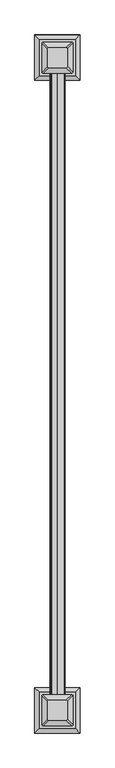
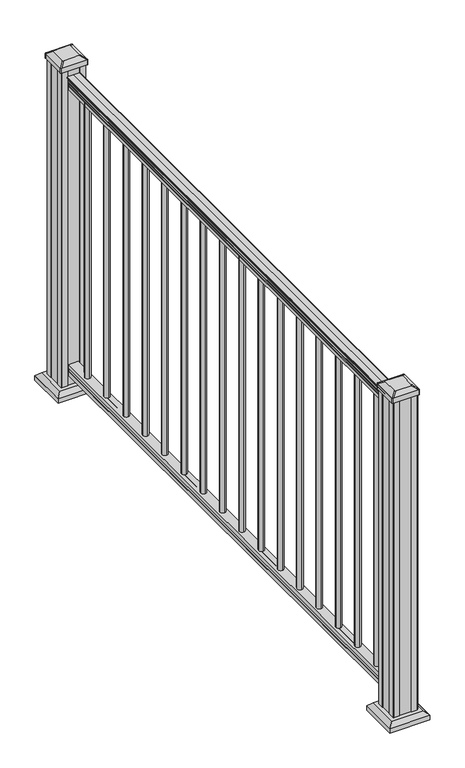
"""IFC4 building model written with IfcOpenShell, lengths in millimetres: railing geometry."""

from ifc_helpers import new_model, si_unit, point, frame, frame_2d, origin, origin_with_axes, place, context, project, spatial, polyline, circle_curve, trimmed, segment, composite_curve, outline, extrude, faceted_brep, source, transform, mapped, element, save
from ifc_brep_helpers import plane_surface, cylinder_surface, revolved_surface, extruded_surface, advanced_brep


def railing_f54772bb(model_context):
    return source(origin(), model_context, "Body", "SolidModel", [
        advanced_brep(
        [(2155.5752048, -16393.5299817, 1090.8043297), (2158.1490336, -16393.5299817, 1090.8043297), (2158.1490336, -16393.5299817, 1080.147013), (2157.1330336, -16393.5299817, 1079.131013), (2157.1330336, -16393.5299817, 1066.8), (2188.8830336, -16393.5299817, 1066.8), (2188.8830336, -16393.5299817, 1079.2888283), (2187.8670336, -16393.5299817, 1080.3048283), (2187.8670336, -16393.5299817, 1090.8043297), (2190.4408623, -16393.5299817, 1090.8043297), (2190.4408623, -16393.5299817, 1092.692412), (2191.5710486, -16393.5299817, 1094.2546695), (2191.5710486, -16393.5299817, 1101.4726458), (2190.9217922, -16393.5299817, 1103.9060812), (2193.4217922, -16393.5299817, 1108.2362083), (2194.8311346, -16393.5299817, 1109.9157972), (2195.2330336, -16393.5299817, 1111.0205318), (2195.2330336, -16393.5299817, 1112.3608158), (2193.6795863, -16393.5299817, 1113.914263), (2173.0080336, -16393.5299817, 1113.914263), (2152.3364808, -16393.5299817, 1113.914263), (2150.7830336, -16393.5299817, 1112.3608158), (2150.7830336, -16393.5299817, 1111.0205318), (2151.1849325, -16393.5299817, 1109.9157972), (2152.5942749, -16393.5299817, 1108.2362083), (2155.0942749, -16393.5299817, 1103.9060812), (2154.4450185, -16393.5299817, 1101.4726458), (2154.4450185, -16393.5299817, 1094.2546695), (2155.5752048, -16393.5299817, 1092.692412), (2155.5752048, -14564.7299817, 1090.8043297), (2155.5752048, -14564.7299817, 1092.692412), (2154.4450185, -14564.7299817, 1094.2546695), (2154.4450185, -14564.7299817, 1101.4726458), (2155.0942749, -14564.7299817, 1103.9060812), (2152.5942749, -14564.7299817, 1108.2362083), (2151.1849325, -14564.7299817, 1109.9157972), (2150.7830335, -14564.7299817, 1111.0205318), (2150.7830336, -14564.7299817, 1112.3608158), (2152.3364808, -14564.7299817, 1113.914263), (2173.0080336, -14564.7299817, 1113.914263), (2193.6795863, -14564.7299817, 1113.914263), (2195.2330336, -14564.7299817, 1112.3608158), (2195.2330336, -14564.7299817, 1111.0205318), (2194.8311346, -14564.7299817, 1109.9157972), (2193.4217922, -14564.7299817, 1108.2362083), (2190.9217922, -14564.7299817, 1103.9060812), (2191.5710486, -14564.7299817, 1101.4726458), (2191.5710486, -14564.7299817, 1094.2546695), (2190.4408623, -14564.7299817, 1092.692412), (2190.4408623, -14564.7299817, 1090.8043297), (2187.8670336, -14564.7299817, 1090.8043297), (2187.8670336, -14564.7299817, 1080.3048283), (2188.8830336, -14564.7299817, 1079.2888283), (2188.8830336, -14564.7299817, 1066.8), (2157.1330336, -14564.7299817, 1066.8), (2157.1330336, -14564.7299817, 1079.131013), (2158.1490336, -14564.7299817, 1080.147013), (2158.1490336, -14564.7299817, 1090.8043297)],
        [
            (0, 1, circle_curve(frame((2156.8621192, -16393.5299817, 1090.8043297), z_axis=(0.0, -1.0, 0.0), x_axis=(1.0, 0.0, 0.0)), 1.2869144)),
            (1, 2),
            (2, 3),
            (3, 4),
            (4, 5),
            (5, 6),
            (6, 7),
            (7, 8),
            (8, 9, circle_curve(frame((2189.1539479, -16393.5299817, 1090.8043297), z_axis=(0.0, -1.0, 0.0), x_axis=(-1.0, 0.0, 0.0)), 1.2869144)),
            (9, 10),
            (10, 11, circle_curve(frame((2184.126109, -16393.5299817, 1098.4506383), z_axis=(0.0, -1.0, 0.0), x_axis=(-1.0, 0.0, 0.0)), 8.545951)),
            (11, 12, circle_curve(frame((2184.563172, -16393.5299817, 1097.8636577), z_axis=(0.0, -1.0, 0.0), x_axis=(-1.0, 0.0, 0.0)), 7.882584)),
            (12, 13, circle_curve(frame((2195.0764961, -16393.5299817, 1103.7112527), z_axis=(0.0, 1.0, 0.0), x_axis=(-1.0, 0.0, 0.0)), 4.1592695)),
            (13, 14, circle_curve(frame((2196.3638026, -16393.5299817, 1103.6508864), z_axis=(0.0, 1.0, 0.0), x_axis=(-1.0, 0.0, 0.0)), 5.4479907)),
            (14, 15, circle_curve(frame((2195.1306442, -16393.5299817, 1108.233395), z_axis=(0.0, 1.0, 0.0), x_axis=(-1.0, 0.0, 0.0)), 1.7088543)),
            (15, 16, circle_curve(frame((2193.5137441, -16393.5299817, 1111.0205318), z_axis=(0.0, -1.0, 0.0), x_axis=(-1.0, 0.0, 0.0)), 1.7192895)),
            (16, 17),
            (17, 18, circle_curve(frame((2193.6795863, -16393.5299817, 1112.3608158), z_axis=(0.0, -1.0, 0.0), x_axis=(-1.0, 0.0, 0.0)), 1.5534472)),
            (18, 19),
            (19, 20),
            (20, 21, circle_curve(frame((2152.3364808, -16393.5299817, 1112.3608158), z_axis=(0.0, -1.0, 0.0), x_axis=(1.0, 0.0, 0.0)), 1.5534472)),
            (21, 22),
            (22, 23, circle_curve(frame((2152.502323, -16393.5299817, 1111.0205318), z_axis=(0.0, -1.0, 0.0), x_axis=(1.0, 0.0, 0.0)), 1.7192895)),
            (23, 24, circle_curve(frame((2150.8854229, -16393.5299817, 1108.233395), z_axis=(0.0, 1.0, 0.0), x_axis=(1.0, 0.0, 0.0)), 1.7088543)),
            (24, 25, circle_curve(frame((2149.6522645, -16393.5299817, 1103.6508864), z_axis=(0.0, 1.0, 0.0), x_axis=(1.0, 0.0, 0.0)), 5.4479907)),
            (25, 26, circle_curve(frame((2150.939571, -16393.5299817, 1103.7112527), z_axis=(0.0, 1.0, 0.0), x_axis=(1.0, 0.0, 0.0)), 4.1592695)),
            (26, 27, circle_curve(frame((2161.4528951, -16393.5299817, 1097.8636577), z_axis=(0.0, -1.0, 0.0), x_axis=(1.0, 0.0, 0.0)), 7.882584)),
            (27, 28, circle_curve(frame((2161.8899581, -16393.5299817, 1098.4506383), z_axis=(0.0, -1.0, 0.0), x_axis=(1.0, 0.0, 0.0)), 8.545951)),
            (28, 0),
            (29, 30),
            (30, 31, circle_curve(frame((2161.8899581, -14564.7299817, 1098.4506383), z_axis=(0.0, 1.0, 0.0), x_axis=(1.0, 0.0, 0.0)), 8.545951)),
            (31, 32, circle_curve(frame((2161.4528951, -14564.7299817, 1097.8636577), z_axis=(0.0, 1.0, 0.0), x_axis=(1.0, 0.0, 0.0)), 7.882584)),
            (32, 33, circle_curve(frame((2150.939571, -14564.7299817, 1103.7112527), z_axis=(0.0, -1.0, 0.0), x_axis=(1.0, 0.0, 0.0)), 4.1592695)),
            (33, 34, circle_curve(frame((2149.6522645, -14564.7299817, 1103.6508864), z_axis=(0.0, -1.0, 0.0), x_axis=(1.0, 0.0, 0.0)), 5.4479907)),
            (34, 35, circle_curve(frame((2150.8854229, -14564.7299817, 1108.233395), z_axis=(0.0, -1.0, 0.0), x_axis=(1.0, 0.0, 0.0)), 1.7088543)),
            (35, 36, circle_curve(frame((2152.502323, -14564.7299817, 1111.0205318), z_axis=(0.0, 1.0, 0.0), x_axis=(1.0, 0.0, 0.0)), 1.7192895)),
            (36, 37),
            (37, 38, circle_curve(frame((2152.3364808, -14564.7299817, 1112.3608158), z_axis=(0.0, 1.0, 0.0), x_axis=(1.0, 0.0, 0.0)), 1.5534472)),
            (38, 39),
            (39, 40),
            (40, 41, circle_curve(frame((2193.6795863, -14564.7299817, 1112.3608158), z_axis=(0.0, 1.0, 0.0), x_axis=(-1.0, 0.0, 0.0)), 1.5534472)),
            (41, 42),
            (42, 43, circle_curve(frame((2193.5137441, -14564.7299817, 1111.0205318), z_axis=(0.0, 1.0, 0.0), x_axis=(-1.0, 0.0, 0.0)), 1.7192895)),
            (43, 44, circle_curve(frame((2195.1306442, -14564.7299817, 1108.233395), z_axis=(0.0, -1.0, 0.0), x_axis=(-1.0, 0.0, 0.0)), 1.7088543)),
            (44, 45, circle_curve(frame((2196.3638026, -14564.7299817, 1103.6508864), z_axis=(0.0, -1.0, 0.0), x_axis=(-1.0, 0.0, 0.0)), 5.4479907)),
            (45, 46, circle_curve(frame((2195.0764961, -14564.7299817, 1103.7112527), z_axis=(0.0, -1.0, 0.0), x_axis=(-1.0, 0.0, 0.0)), 4.1592695)),
            (46, 47, circle_curve(frame((2184.563172, -14564.7299817, 1097.8636577), z_axis=(0.0, 1.0, 0.0), x_axis=(-1.0, 0.0, 0.0)), 7.882584)),
            (47, 48, circle_curve(frame((2184.126109, -14564.7299817, 1098.4506383), z_axis=(0.0, 1.0, 0.0), x_axis=(-1.0, 0.0, 0.0)), 8.545951)),
            (48, 49),
            (49, 50, circle_curve(frame((2189.1539479, -14564.7299817, 1090.8043297), z_axis=(0.0, 1.0, 0.0), x_axis=(-1.0, 0.0, 0.0)), 1.2869144)),
            (50, 51),
            (51, 52),
            (52, 53),
            (53, 54),
            (54, 55),
            (55, 56),
            (56, 57),
            (57, 29, circle_curve(frame((2156.8621192, -14564.7299817, 1090.8043297), z_axis=(0.0, 1.0, 0.0), x_axis=(1.0, 0.0, 0.0)), 1.2869144)),
            (0, 29),
            (57, 1),
            (56, 2),
            (55, 3),
            (54, 4),
            (53, 5),
            (52, 6),
            (51, 7),
            (50, 8),
            (49, 9),
            (48, 10),
            (47, 11),
            (46, 12),
            (45, 13),
            (44, 14),
            (43, 15),
            (42, 16),
            (41, 17),
            (40, 18),
            (39, 19),
            (38, 20),
            (37, 21),
            (36, 22),
            (35, 23),
            (34, 24),
            (33, 25),
            (32, 26),
            (31, 27),
            (30, 28),
        ],
        [
            plane_surface(frame((2173.0080336, -16393.5299817, 1066.8), z_axis=(0.0, -1.0, 0.0), x_axis=(0.0, 0.0, 1.0))),
            plane_surface(frame((2173.0080336, -14564.7299817, 1066.8), z_axis=(0.0, 1.0, 0.0), x_axis=(0.0, 0.0, 1.0))),
            cylinder_surface(frame((2156.8621192, -16393.5299817, 1090.8043297), z_axis=(0.0, -1.0, 0.0), x_axis=(1.0, 0.0, 0.0)), 1.2869144),
            plane_surface(frame((2158.1490336, -16393.5299817, 1090.8043297), z_axis=(-1.0, 0.0, 0.0), x_axis=(0.0, 1.0, 0.0))),
            plane_surface(frame((2158.1490336, -16393.5299817, 1080.147013), z_axis=(-0.7071067811865395, 0.0, 0.7071067811865556), x_axis=(0.0, 1.0, 0.0))),
            plane_surface(frame((2157.1330336, -16393.5299817, 1079.131013), z_axis=(-1.0, 0.0, 0.0), x_axis=(0.0, 1.0, 0.0))),
            plane_surface(frame((2157.1330336, -16393.5299817, 1066.8), z_axis=(0.0, 0.0, -1.0), x_axis=(0.0, 1.0, 0.0))),
            plane_surface(frame((2188.8830336, -16393.5299817, 1066.8), z_axis=(1.0, 0.0, 0.0), x_axis=(0.0, 1.0, 0.0))),
            plane_surface(frame((2188.8830336, -16393.5299817, 1079.2888283), z_axis=(0.7071067811865432, 0.0, 0.707106781186552), x_axis=(0.0, 1.0, 0.0))),
            plane_surface(frame((2187.8670336, -16393.5299817, 1080.3048283), z_axis=(1.0, 0.0, 0.0), x_axis=(0.0, 1.0, 0.0))),
            cylinder_surface(frame((2189.1539479, -16393.5299817, 1090.8043297), z_axis=(0.0, -1.0, 0.0), x_axis=(-1.0, 0.0, 0.0)), 1.2869144),
            plane_surface(frame((2190.4408623, -16393.5299817, 1090.8043297), z_axis=(1.0, 0.0, 0.0), x_axis=(0.0, 1.0, 0.0))),
            cylinder_surface(frame((2184.126109, -16393.5299817, 1098.4506383), z_axis=(0.0, -1.0, 0.0), x_axis=(-1.0, 0.0, 0.0)), 8.545951),
            cylinder_surface(frame((2184.563172, -16393.5299817, 1097.8636577), z_axis=(0.0, -1.0, 0.0), x_axis=(-1.0, 0.0, 0.0)), 7.882584),
            revolved_surface(polyline([(2190.9172266, -14564.7299817, 1103.7112527), (2190.9172266, -16393.5299817, 1103.7112527)]), (2195.0764961, -16393.5299817, 1103.7112527), (0.0, 1.0, 0.0)),
            revolved_surface(polyline([(2190.9158119, -14564.7299817, 1103.6508864), (2190.9158119, -16393.5299817, 1103.6508864)]), (2196.3638026, -16393.5299817, 1103.6508864), (0.0, 1.0, 0.0)),
            revolved_surface(polyline([(2193.4217899, -14564.7299817, 1108.233395), (2193.4217899, -16393.5299817, 1108.233395)]), (2195.1306442, -16393.5299817, 1108.233395), (0.0, 1.0, 0.0)),
            cylinder_surface(frame((2193.5137441, -16393.5299817, 1111.0205318), z_axis=(0.0, -1.0, 0.0), x_axis=(-1.0, 0.0, 0.0)), 1.7192895),
            plane_surface(frame((2195.2330336, -16393.5299817, 1111.0205318), z_axis=(1.0, 0.0, 0.0), x_axis=(0.0, 1.0, 0.0))),
            cylinder_surface(frame((2193.6795863, -16393.5299817, 1112.3608158), z_axis=(0.0, -1.0, 0.0), x_axis=(-1.0, 0.0, 0.0)), 1.5534472),
            plane_surface(frame((2193.6795863, -16393.5299817, 1113.914263), z_axis=(0.0, 0.0, 1.0), x_axis=(0.0, 1.0, 0.0))),
            plane_surface(frame((2173.0080336, -16393.5299817, 1113.914263), z_axis=(0.0, 0.0, 1.0), x_axis=(0.0, 1.0, 0.0))),
            cylinder_surface(frame((2152.3364808, -16393.5299817, 1112.3608158), z_axis=(0.0, -1.0, 0.0), x_axis=(1.0, 0.0, 0.0)), 1.5534472),
            plane_surface(frame((2150.7830336, -16393.5299817, 1112.3608158), z_axis=(-1.0, 0.0, 0.0), x_axis=(0.0, 1.0, 0.0))),
            cylinder_surface(frame((2152.502323, -16393.5299817, 1111.0205318), z_axis=(0.0, -1.0, 0.0), x_axis=(1.0, 0.0, 0.0)), 1.7192895),
            revolved_surface(polyline([(2152.5942772, -14564.7299817, 1108.233395), (2152.5942772, -16393.5299817, 1108.233395)]), (2150.8854229, -16393.5299817, 1108.233395), (0.0, 1.0, 0.0)),
            revolved_surface(polyline([(2155.1002552, -14564.7299817, 1103.6508864), (2155.1002552, -16393.5299817, 1103.6508864)]), (2149.6522645, -16393.5299817, 1103.6508864), (0.0, 1.0, 0.0)),
            revolved_surface(polyline([(2155.0988405, -14564.7299817, 1103.7112527), (2155.0988405, -16393.5299817, 1103.7112527)]), (2150.939571, -16393.5299817, 1103.7112527), (0.0, 1.0, 0.0)),
            cylinder_surface(frame((2161.4528951, -16393.5299817, 1097.8636577), z_axis=(0.0, -1.0, 0.0), x_axis=(1.0, 0.0, 0.0)), 7.882584),
            cylinder_surface(frame((2161.8899581, -16393.5299817, 1098.4506383), z_axis=(0.0, -1.0, 0.0), x_axis=(1.0, 0.0, 0.0)), 8.545951),
            plane_surface(frame((2155.5752048, -16393.5299817, 1092.692412), z_axis=(-1.0, 0.0, 0.0), x_axis=(0.0, 1.0, 0.0))),
        ],
        [
            (0, [[1, 2, 3, 4, 5, 6, 7, 8, 9, 10, 11, 12, 13, 14, 15, 16, 17, 18, 19, 20, 21, 22, 23, 24, 25, 26, 27, 28, 29]]),
            (1, [[30, 31, 32, 33, 34, 35, 36, 37, 38, 39, 40, 41, 42, 43, 44, 45, 46, 47, 48, 49, 50, 51, 52, 53, 54, 55, 56, 57, 58]]),
            (2, [[-1, 59, -58, 60]]),
            (3, [[-2, -60, -57, 61]]),
            (4, [[-3, -61, -56, 62]]),
            (5, [[-4, -62, -55, 63]]),
            (6, [[-5, -63, -54, 64]]),
            (7, [[-6, -64, -53, 65]]),
            (8, [[-7, -65, -52, 66]]),
            (9, [[-8, -66, -51, 67]]),
            (10, [[-9, -67, -50, 68]]),
            (11, [[-10, -68, -49, 69]]),
            (12, [[-11, -69, -48, 70]]),
            (13, [[-12, -70, -47, 71]]),
            (14, [[-13, -71, -46, 72]]),
            (15, [[-14, -72, -45, 73]]),
            (16, [[-15, -73, -44, 74]]),
            (17, [[-16, -74, -43, 75]]),
            (18, [[-17, -75, -42, 76]]),
            (19, [[-18, -76, -41, 77]]),
            (20, [[-19, -77, -40, 78]]),
            (21, [[-20, -78, -39, 79]]),
            (22, [[-21, -79, -38, 80]]),
            (23, [[-22, -80, -37, 81]]),
            (24, [[-23, -81, -36, 82]]),
            (25, [[-24, -82, -35, 83]]),
            (26, [[-25, -83, -34, 84]]),
            (27, [[-26, -84, -33, 85]]),
            (28, [[-27, -85, -32, 86]]),
            (29, [[-28, -86, -31, 87]]),
            (30, [[-29, -87, -30, -59]]),
        ],
    ),
        faceted_brep([(2157.0955467, -16393.5299817, 76.0541976), (2157.0955467, -16393.5299817, 63.5), (2188.8455467, -16393.5299817, 63.5), (2188.8455467, -16393.5299817, 76.0375508), (2187.8295467, -16393.5299817, 77.3858283), (2187.8295467, -16393.5299817, 87.6975248), (2188.8455467, -16393.5299817, 89.0458024), (2188.8455467, -16393.5299817, 101.5958781), (2157.0955467, -16393.5299817, 101.5958781), (2157.0955467, -16393.5299817, 89.0624492), (2158.1115467, -16393.5299817, 87.7141717), (2158.1115467, -16393.5299817, 77.3546183), (2157.0955467, -14564.7299817, 76.0541976), (2158.1115467, -14564.7299817, 77.3546183), (2158.1115467, -14564.7299817, 87.7141717), (2157.0955467, -14564.7299817, 89.0624492), (2157.0955467, -14564.7299817, 101.5958781), (2188.8455467, -14564.7299817, 101.5958781), (2188.8455467, -14564.7299817, 89.0458024), (2187.8295467, -14564.7299817, 87.6975248), (2187.8295467, -14564.7299817, 77.3858283), (2188.8455467, -14564.7299817, 76.0375508), (2188.8455467, -14564.7299817, 63.5), (2157.0955467, -14564.7299817, 63.5)], [[[0, 1, 2, 3, 4, 5, 6, 7, 8, 9, 10, 11]], [[12, 13, 14, 15, 16, 17, 18, 19, 20, 21, 22, 23]], [[1, 0, 12, 23]], [[2, 1, 23, 22]], [[3, 2, 22, 21]], [[4, 3, 21, 20]], [[5, 4, 20, 19]], [[6, 5, 19, 18]], [[7, 6, 18, 17]], [[8, 7, 17, 16]], [[9, 8, 16, 15]], [[10, 9, 15, 14]], [[11, 10, 14, 13]], [[0, 11, 13, 12]]]),
        extrude(outline(composite_curve([segment(trimmed(circle_curve(frame_2d((2173.0080336, -14645.6924817)), 9.525), [point((2163.4830336, -14645.6924817))], [point((2173.0080336, -14636.1674817))], False, "CARTESIAN"), True, "CONTINUOUS"), segment(trimmed(circle_curve(frame_2d((2173.0080336, -14645.6924817)), 9.525), [point((2173.0080336, -14636.1674817))], [point((2182.5330336, -14645.6924817))], False, "CARTESIAN"), True, "CONTINUOUS"), segment(trimmed(circle_curve(frame_2d((2173.0080336, -14645.6924817)), 9.525), [point((2182.5330336, -14645.6924817))], [point((2173.0080336, -14655.2174817))], False, "CARTESIAN"), True, "CONTINUOUS"), segment(trimmed(circle_curve(frame_2d((2173.0080336, -14645.6924817)), 9.525), [point((2173.0080336, -14655.2174817))], [point((2163.4830336, -14645.6924817))], False, "CARTESIAN"), True, "CONTINUOUS")], self_intersect=False)), frame((0.0, 0.0, 101.5958781), z_axis=(0.0, 0.0, 1.0), x_axis=(1.0, 0.0, 0.0)), (0.0, 0.0, 1.0), 965.2041219),
        extrude(outline(composite_curve([segment(trimmed(circle_curve(frame_2d((2173.0080336, -14756.8174817)), 9.525), [point((2163.4830336, -14756.8174817))], [point((2173.0080336, -14747.2924817))], False, "CARTESIAN"), True, "CONTINUOUS"), segment(trimmed(circle_curve(frame_2d((2173.0080336, -14756.8174817)), 9.525), [point((2173.0080336, -14747.2924817))], [point((2182.5330336, -14756.8174817))], False, "CARTESIAN"), True, "CONTINUOUS"), segment(trimmed(circle_curve(frame_2d((2173.0080336, -14756.8174817)), 9.525), [point((2182.5330336, -14756.8174817))], [point((2173.0080336, -14766.3424817))], False, "CARTESIAN"), True, "CONTINUOUS"), segment(trimmed(circle_curve(frame_2d((2173.0080336, -14756.8174817)), 9.525), [point((2173.0080336, -14766.3424817))], [point((2163.4830336, -14756.8174817))], False, "CARTESIAN"), True, "CONTINUOUS")], self_intersect=False)), frame((0.0, 0.0, 101.5958781), z_axis=(0.0, 0.0, 1.0), x_axis=(1.0, 0.0, 0.0)), (0.0, 0.0, 1.0), 965.2041219),
        extrude(outline(composite_curve([segment(trimmed(circle_curve(frame_2d((2173.0080336, -14867.9424817)), 9.525), [point((2163.4830336, -14867.9424817))], [point((2173.0080336, -14858.4174817))], False, "CARTESIAN"), True, "CONTINUOUS"), segment(trimmed(circle_curve(frame_2d((2173.0080336, -14867.9424817)), 9.525), [point((2173.0080336, -14858.4174817))], [point((2182.5330336, -14867.9424817))], False, "CARTESIAN"), True, "CONTINUOUS"), segment(trimmed(circle_curve(frame_2d((2173.0080336, -14867.9424817)), 9.525), [point((2182.5330336, -14867.9424817))], [point((2173.0080336, -14877.4674817))], False, "CARTESIAN"), True, "CONTINUOUS"), segment(trimmed(circle_curve(frame_2d((2173.0080336, -14867.9424817)), 9.525), [point((2173.0080336, -14877.4674817))], [point((2163.4830336, -14867.9424817))], False, "CARTESIAN"), True, "CONTINUOUS")], self_intersect=False)), frame((0.0, 0.0, 101.5958781), z_axis=(0.0, 0.0, 1.0), x_axis=(1.0, 0.0, 0.0)), (0.0, 0.0, 1.0), 965.2041219),
        extrude(outline(composite_curve([segment(trimmed(circle_curve(frame_2d((2173.0080336, -14979.0674817)), 9.525), [point((2163.4830336, -14979.0674817))], [point((2173.0080336, -14969.5424817))], False, "CARTESIAN"), True, "CONTINUOUS"), segment(trimmed(circle_curve(frame_2d((2173.0080336, -14979.0674817)), 9.525), [point((2173.0080336, -14969.5424817))], [point((2182.5330336, -14979.0674817))], False, "CARTESIAN"), True, "CONTINUOUS"), segment(trimmed(circle_curve(frame_2d((2173.0080336, -14979.0674817)), 9.525), [point((2182.5330336, -14979.0674817))], [point((2173.0080336, -14988.5924817))], False, "CARTESIAN"), True, "CONTINUOUS"), segment(trimmed(circle_curve(frame_2d((2173.0080336, -14979.0674817)), 9.525), [point((2173.0080336, -14988.5924817))], [point((2163.4830336, -14979.0674817))], False, "CARTESIAN"), True, "CONTINUOUS")], self_intersect=False)), frame((0.0, 0.0, 101.5958781), z_axis=(0.0, 0.0, 1.0), x_axis=(1.0, 0.0, 0.0)), (0.0, 0.0, 1.0), 965.2041219),
        extrude(outline(composite_curve([segment(trimmed(circle_curve(frame_2d((2173.0080336, -15090.1924817)), 9.525), [point((2163.4830336, -15090.1924817))], [point((2173.0080336, -15080.6674817))], False, "CARTESIAN"), True, "CONTINUOUS"), segment(trimmed(circle_curve(frame_2d((2173.0080336, -15090.1924817)), 9.525), [point((2173.0080336, -15080.6674817))], [point((2182.5330336, -15090.1924817))], False, "CARTESIAN"), True, "CONTINUOUS"), segment(trimmed(circle_curve(frame_2d((2173.0080336, -15090.1924817)), 9.525), [point((2182.5330336, -15090.1924817))], [point((2173.0080336, -15099.7174817))], False, "CARTESIAN"), True, "CONTINUOUS"), segment(trimmed(circle_curve(frame_2d((2173.0080336, -15090.1924817)), 9.525), [point((2173.0080336, -15099.7174817))], [point((2163.4830336, -15090.1924817))], False, "CARTESIAN"), True, "CONTINUOUS")], self_intersect=False)), frame((0.0, 0.0, 101.5958781), z_axis=(0.0, 0.0, 1.0), x_axis=(1.0, 0.0, 0.0)), (0.0, 0.0, 1.0), 965.2041219),
        extrude(outline(composite_curve([segment(trimmed(circle_curve(frame_2d((2173.0080336, -15201.3174817)), 9.525), [point((2163.4830336, -15201.3174817))], [point((2173.0080336, -15191.7924817))], False, "CARTESIAN"), True, "CONTINUOUS"), segment(trimmed(circle_curve(frame_2d((2173.0080336, -15201.3174817)), 9.525), [point((2173.0080336, -15191.7924817))], [point((2182.5330336, -15201.3174817))], False, "CARTESIAN"), True, "CONTINUOUS"), segment(trimmed(circle_curve(frame_2d((2173.0080336, -15201.3174817)), 9.525), [point((2182.5330336, -15201.3174817))], [point((2173.0080336, -15210.8424817))], False, "CARTESIAN"), True, "CONTINUOUS"), segment(trimmed(circle_curve(frame_2d((2173.0080336, -15201.3174817)), 9.525), [point((2173.0080336, -15210.8424817))], [point((2163.4830336, -15201.3174817))], False, "CARTESIAN"), True, "CONTINUOUS")], self_intersect=False)), frame((0.0, 0.0, 101.5958781), z_axis=(0.0, 0.0, 1.0), x_axis=(1.0, 0.0, 0.0)), (0.0, 0.0, 1.0), 965.2041219),
        extrude(outline(composite_curve([segment(trimmed(circle_curve(frame_2d((2173.0080336, -15312.4424817)), 9.525), [point((2163.4830336, -15312.4424817))], [point((2173.0080336, -15302.9174817))], False, "CARTESIAN"), True, "CONTINUOUS"), segment(trimmed(circle_curve(frame_2d((2173.0080336, -15312.4424817)), 9.525), [point((2173.0080336, -15302.9174817))], [point((2182.5330336, -15312.4424817))], False, "CARTESIAN"), True, "CONTINUOUS"), segment(trimmed(circle_curve(frame_2d((2173.0080336, -15312.4424817)), 9.525), [point((2182.5330336, -15312.4424817))], [point((2173.0080336, -15321.9674817))], False, "CARTESIAN"), True, "CONTINUOUS"), segment(trimmed(circle_curve(frame_2d((2173.0080336, -15312.4424817)), 9.525), [point((2173.0080336, -15321.9674817))], [point((2163.4830336, -15312.4424817))], False, "CARTESIAN"), True, "CONTINUOUS")], self_intersect=False)), frame((0.0, 0.0, 101.5958781), z_axis=(0.0, 0.0, 1.0), x_axis=(1.0, 0.0, 0.0)), (0.0, 0.0, 1.0), 965.2041219),
        extrude(outline(composite_curve([segment(trimmed(circle_curve(frame_2d((2173.0080336, -15423.5674817)), 9.525), [point((2163.4830336, -15423.5674817))], [point((2173.0080336, -15414.0424817))], False, "CARTESIAN"), True, "CONTINUOUS"), segment(trimmed(circle_curve(frame_2d((2173.0080336, -15423.5674817)), 9.525), [point((2173.0080336, -15414.0424817))], [point((2182.5330336, -15423.5674817))], False, "CARTESIAN"), True, "CONTINUOUS"), segment(trimmed(circle_curve(frame_2d((2173.0080336, -15423.5674817)), 9.525), [point((2182.5330336, -15423.5674817))], [point((2173.0080336, -15433.0924817))], False, "CARTESIAN"), True, "CONTINUOUS"), segment(trimmed(circle_curve(frame_2d((2173.0080336, -15423.5674817)), 9.525), [point((2173.0080336, -15433.0924817))], [point((2163.4830336, -15423.5674817))], False, "CARTESIAN"), True, "CONTINUOUS")], self_intersect=False)), frame((0.0, 0.0, 101.5958781), z_axis=(0.0, 0.0, 1.0), x_axis=(1.0, 0.0, 0.0)), (0.0, 0.0, 1.0), 965.2041219),
        extrude(outline(composite_curve([segment(trimmed(circle_curve(frame_2d((2173.0080336, -15534.6924817)), 9.525), [point((2163.4830336, -15534.6924817))], [point((2173.0080336, -15525.1674817))], False, "CARTESIAN"), True, "CONTINUOUS"), segment(trimmed(circle_curve(frame_2d((2173.0080336, -15534.6924817)), 9.525), [point((2173.0080336, -15525.1674817))], [point((2182.5330336, -15534.6924817))], False, "CARTESIAN"), True, "CONTINUOUS"), segment(trimmed(circle_curve(frame_2d((2173.0080336, -15534.6924817)), 9.525), [point((2182.5330336, -15534.6924817))], [point((2173.0080336, -15544.2174817))], False, "CARTESIAN"), True, "CONTINUOUS"), segment(trimmed(circle_curve(frame_2d((2173.0080336, -15534.6924817)), 9.525), [point((2173.0080336, -15544.2174817))], [point((2163.4830336, -15534.6924817))], False, "CARTESIAN"), True, "CONTINUOUS")], self_intersect=False)), frame((0.0, 0.0, 101.5958781), z_axis=(0.0, 0.0, 1.0), x_axis=(1.0, 0.0, 0.0)), (0.0, 0.0, 1.0), 965.2041219),
        extrude(outline(composite_curve([segment(trimmed(circle_curve(frame_2d((2173.0080336, -15645.8174817)), 9.525), [point((2163.4830336, -15645.8174817))], [point((2173.0080336, -15636.2924817))], False, "CARTESIAN"), True, "CONTINUOUS"), segment(trimmed(circle_curve(frame_2d((2173.0080336, -15645.8174817)), 9.525), [point((2173.0080336, -15636.2924817))], [point((2182.5330336, -15645.8174817))], False, "CARTESIAN"), True, "CONTINUOUS"), segment(trimmed(circle_curve(frame_2d((2173.0080336, -15645.8174817)), 9.525), [point((2182.5330336, -15645.8174817))], [point((2173.0080336, -15655.3424817))], False, "CARTESIAN"), True, "CONTINUOUS"), segment(trimmed(circle_curve(frame_2d((2173.0080336, -15645.8174817)), 9.525), [point((2173.0080336, -15655.3424817))], [point((2163.4830336, -15645.8174817))], False, "CARTESIAN"), True, "CONTINUOUS")], self_intersect=False)), frame((0.0, 0.0, 101.5958781), z_axis=(0.0, 0.0, 1.0), x_axis=(1.0, 0.0, 0.0)), (0.0, 0.0, 1.0), 965.2041219),
        extrude(outline(composite_curve([segment(trimmed(circle_curve(frame_2d((2173.0080336, -15756.9424817)), 9.525), [point((2163.4830336, -15756.9424817))], [point((2173.0080336, -15747.4174817))], False, "CARTESIAN"), True, "CONTINUOUS"), segment(trimmed(circle_curve(frame_2d((2173.0080336, -15756.9424817)), 9.525), [point((2173.0080336, -15747.4174817))], [point((2182.5330336, -15756.9424817))], False, "CARTESIAN"), True, "CONTINUOUS"), segment(trimmed(circle_curve(frame_2d((2173.0080336, -15756.9424817)), 9.525), [point((2182.5330336, -15756.9424817))], [point((2173.0080336, -15766.4674817))], False, "CARTESIAN"), True, "CONTINUOUS"), segment(trimmed(circle_curve(frame_2d((2173.0080336, -15756.9424817)), 9.525), [point((2173.0080336, -15766.4674817))], [point((2163.4830336, -15756.9424817))], False, "CARTESIAN"), True, "CONTINUOUS")], self_intersect=False)), frame((0.0, 0.0, 101.5958781), z_axis=(0.0, 0.0, 1.0), x_axis=(1.0, 0.0, 0.0)), (0.0, 0.0, 1.0), 965.2041219),
        extrude(outline(composite_curve([segment(trimmed(circle_curve(frame_2d((2173.0080336, -15868.0674817)), 9.525), [point((2163.4830336, -15868.0674817))], [point((2173.0080336, -15858.5424817))], False, "CARTESIAN"), True, "CONTINUOUS"), segment(trimmed(circle_curve(frame_2d((2173.0080336, -15868.0674817)), 9.525), [point((2173.0080336, -15858.5424817))], [point((2182.5330336, -15868.0674817))], False, "CARTESIAN"), True, "CONTINUOUS"), segment(trimmed(circle_curve(frame_2d((2173.0080336, -15868.0674817)), 9.525), [point((2182.5330336, -15868.0674817))], [point((2173.0080336, -15877.5924817))], False, "CARTESIAN"), True, "CONTINUOUS"), segment(trimmed(circle_curve(frame_2d((2173.0080336, -15868.0674817)), 9.525), [point((2173.0080336, -15877.5924817))], [point((2163.4830336, -15868.0674817))], False, "CARTESIAN"), True, "CONTINUOUS")], self_intersect=False)), frame((0.0, 0.0, 101.5958781), z_axis=(0.0, 0.0, 1.0), x_axis=(1.0, 0.0, 0.0)), (0.0, 0.0, 1.0), 965.2041219),
        extrude(outline(composite_curve([segment(trimmed(circle_curve(frame_2d((2173.0080336, -15979.1924817)), 9.525), [point((2163.4830336, -15979.1924817))], [point((2173.0080336, -15969.6674817))], False, "CARTESIAN"), True, "CONTINUOUS"), segment(trimmed(circle_curve(frame_2d((2173.0080336, -15979.1924817)), 9.525), [point((2173.0080336, -15969.6674817))], [point((2182.5330336, -15979.1924817))], False, "CARTESIAN"), True, "CONTINUOUS"), segment(trimmed(circle_curve(frame_2d((2173.0080336, -15979.1924817)), 9.525), [point((2182.5330336, -15979.1924817))], [point((2173.0080336, -15988.7174817))], False, "CARTESIAN"), True, "CONTINUOUS"), segment(trimmed(circle_curve(frame_2d((2173.0080336, -15979.1924817)), 9.525), [point((2173.0080336, -15988.7174817))], [point((2163.4830336, -15979.1924817))], False, "CARTESIAN"), True, "CONTINUOUS")], self_intersect=False)), frame((0.0, 0.0, 101.5958781), z_axis=(0.0, 0.0, 1.0), x_axis=(1.0, 0.0, 0.0)), (0.0, 0.0, 1.0), 965.2041219),
        extrude(outline(composite_curve([segment(trimmed(circle_curve(frame_2d((2173.0080336, -16090.3174817)), 9.525), [point((2163.4830336, -16090.3174817))], [point((2173.0080336, -16080.7924817))], False, "CARTESIAN"), True, "CONTINUOUS"), segment(trimmed(circle_curve(frame_2d((2173.0080336, -16090.3174817)), 9.525), [point((2173.0080336, -16080.7924817))], [point((2182.5330336, -16090.3174817))], False, "CARTESIAN"), True, "CONTINUOUS"), segment(trimmed(circle_curve(frame_2d((2173.0080336, -16090.3174817)), 9.525), [point((2182.5330336, -16090.3174817))], [point((2173.0080336, -16099.8424817))], False, "CARTESIAN"), True, "CONTINUOUS"), segment(trimmed(circle_curve(frame_2d((2173.0080336, -16090.3174817)), 9.525), [point((2173.0080336, -16099.8424817))], [point((2163.4830336, -16090.3174817))], False, "CARTESIAN"), True, "CONTINUOUS")], self_intersect=False)), frame((0.0, 0.0, 101.5958781), z_axis=(0.0, 0.0, 1.0), x_axis=(1.0, 0.0, 0.0)), (0.0, 0.0, 1.0), 965.2041219),
        extrude(outline(composite_curve([segment(trimmed(circle_curve(frame_2d((2173.0080336, -16201.4424817)), 9.525), [point((2163.4830336, -16201.4424817))], [point((2173.0080336, -16191.9174817))], False, "CARTESIAN"), True, "CONTINUOUS"), segment(trimmed(circle_curve(frame_2d((2173.0080336, -16201.4424817)), 9.525), [point((2173.0080336, -16191.9174817))], [point((2182.5330336, -16201.4424817))], False, "CARTESIAN"), True, "CONTINUOUS"), segment(trimmed(circle_curve(frame_2d((2173.0080336, -16201.4424817)), 9.525), [point((2182.5330336, -16201.4424817))], [point((2173.0080336, -16210.9674817))], False, "CARTESIAN"), True, "CONTINUOUS"), segment(trimmed(circle_curve(frame_2d((2173.0080336, -16201.4424817)), 9.525), [point((2173.0080336, -16210.9674817))], [point((2163.4830336, -16201.4424817))], False, "CARTESIAN"), True, "CONTINUOUS")], self_intersect=False)), frame((0.0, 0.0, 101.5958781), z_axis=(0.0, 0.0, 1.0), x_axis=(1.0, 0.0, 0.0)), (0.0, 0.0, 1.0), 965.2041219),
        extrude(outline(composite_curve([segment(trimmed(circle_curve(frame_2d((2173.0080336, -16312.5674817)), 9.525), [point((2163.4830336, -16312.5674817))], [point((2173.0080336, -16303.0424817))], False, "CARTESIAN"), True, "CONTINUOUS"), segment(trimmed(circle_curve(frame_2d((2173.0080336, -16312.5674817)), 9.525), [point((2173.0080336, -16303.0424817))], [point((2182.5330336, -16312.5674817))], False, "CARTESIAN"), True, "CONTINUOUS"), segment(trimmed(circle_curve(frame_2d((2173.0080336, -16312.5674817)), 9.525), [point((2182.5330336, -16312.5674817))], [point((2173.0080336, -16322.0924817))], False, "CARTESIAN"), True, "CONTINUOUS"), segment(trimmed(circle_curve(frame_2d((2173.0080336, -16312.5674817)), 9.525), [point((2173.0080336, -16322.0924817))], [point((2163.4830336, -16312.5674817))], False, "CARTESIAN"), True, "CONTINUOUS")], self_intersect=False)), frame((0.0, 0.0, 101.5958781), z_axis=(0.0, 0.0, 1.0), x_axis=(1.0, 0.0, 0.0)), (0.0, 0.0, 1.0), 965.2041219),
        faceted_brep([(2120.4220961, -14576.0409192, 28.575), (2225.5939711, -14576.0409192, 28.575), (2225.5939711, -14470.8690442, 28.575), (2120.4220961, -14470.8690442, 28.575), (2106.3826429, -14590.0803724, 15.24), (2106.3826429, -14456.8295911, 15.24), (2239.6334242, -14456.8295911, 15.24), (2239.6334242, -14590.0803724, 15.24)], [[[0, 1, 2, 3]], [[4, 5, 6, 7]], [[4, 7, 1, 0]], [[7, 6, 2, 1]], [[6, 5, 3, 2]], [[5, 4, 0, 3]]]),
        extrude(outline(polyline([(2106.3826429, -14590.0803724), (2106.3826429, -14456.8295911), (2239.6334242, -14456.8295911), (2239.6334242, -14590.0803724), (2106.3826429, -14590.0803724)])), origin_with_axes(), (0.0, 0.0, 1.0), 15.24),
        advanced_brep(
        [(2198.8049086, -14552.4268567, 1165.225), (2201.9799086, -14549.2518567, 1165.225), (2201.9799086, -14497.6581067, 1165.225), (2198.8049086, -14494.4831067, 1165.225), (2147.2111586, -14494.4831067, 1165.225), (2144.0361586, -14497.6581067, 1165.225), (2144.0361586, -14549.2518567, 1165.225), (2147.2111586, -14552.4268567, 1165.225), (2215.0767836, -14568.6987317, 1153.922), (2130.9392836, -14568.6987317, 1153.922), (2127.7642836, -14565.5237317, 1153.922), (2127.7642836, -14481.3862317, 1153.922), (2130.9392836, -14478.2112317, 1153.922), (2215.0767836, -14478.2112317, 1153.922), (2218.2517836, -14481.3862317, 1153.922), (2218.2517836, -14565.5237317, 1153.922)],
        [
            (0, 1, circle_curve(frame((2198.8049086, -14549.2518567, 1165.225), z_axis=(0.0, 0.0, 1.0), x_axis=(0.0, 1.0, 0.0)), 3.175)),
            (1, 2),
            (2, 3, circle_curve(frame((2198.8049086, -14497.6581067, 1165.225), z_axis=(0.0, 0.0, 1.0), x_axis=(0.0, 1.0, 0.0)), 3.175)),
            (3, 4),
            (4, 5, circle_curve(frame((2147.2111586, -14497.6581067, 1165.225), z_axis=(0.0, 0.0, 1.0), x_axis=(0.0, 1.0, 0.0)), 3.175)),
            (5, 6),
            (6, 7, circle_curve(frame((2147.2111586, -14549.2518567, 1165.225), z_axis=(0.0, 0.0, 1.0), x_axis=(0.0, 1.0, 0.0)), 3.175)),
            (7, 0),
            (8, 9),
            (9, 10, circle_curve(frame((2130.9392836, -14565.5237317, 1153.922), z_axis=(0.0, 0.0, -1.0), x_axis=(0.0, 1.0, 0.0)), 3.175)),
            (10, 11),
            (11, 12, circle_curve(frame((2130.9392836, -14481.3862317, 1153.922), z_axis=(0.0, 0.0, -1.0), x_axis=(0.0, 1.0, 0.0)), 3.175)),
            (12, 13),
            (13, 14, circle_curve(frame((2215.0767836, -14481.3862317, 1153.922), z_axis=(0.0, 0.0, -1.0), x_axis=(0.0, 1.0, 0.0)), 3.175)),
            (14, 15),
            (15, 8, circle_curve(frame((2215.0767836, -14565.5237317, 1153.922), z_axis=(0.0, 0.0, -1.0), x_axis=(0.0, 1.0, 0.0)), 3.175)),
            (15, 1),
            (0, 8),
            (14, 2),
            (13, 3),
            (12, 4),
            (11, 5),
            (10, 6),
            (9, 7),
        ],
        [
            plane_surface(frame((2173.0080336, -14523.4549817, 1165.225), z_axis=(0.0, 0.0, 1.0), x_axis=(1.0, 0.0, 0.0))),
            plane_surface(frame((2173.0080336, -14523.4549817, 1153.922), z_axis=(0.0, 0.0, -1.0), x_axis=(1.0, 0.0, 0.0))),
            extruded_surface(trimmed(circle_curve(frame((2215.0767836, -14565.5237317, 1153.922), z_axis=(0.0, 0.0, 1.0), x_axis=(0.0, 1.0, 0.0)), 3.175), [point((2215.0767836, -14568.6987317, 1153.922))], [point((2218.2517836, -14565.5237317, 1153.922))], True, "CARTESIAN"), (-16.27187499999991, 16.271874999998545, 11.302999999999884), 25.63797263886513),
            plane_surface(frame((2218.2517836, -14523.4549817, 1153.922), z_axis=(0.5705009161540777, 0.0, 0.8212969649690409), x_axis=(0.0, 1.0, 0.0))),
            extruded_surface(trimmed(circle_curve(frame((2215.0767836, -14481.3862317, 1153.922), z_axis=(0.0, 0.0, 1.0), x_axis=(0.0, 1.0, 0.0)), 3.175), [point((2218.2517836, -14481.3862317, 1153.922))], [point((2215.0767836, -14478.2112317, 1153.922))], True, "CARTESIAN"), (-16.27187499999991, -16.271875000000364, 11.302999999999884), 25.637972638866284),
            plane_surface(frame((2173.0080336, -14478.2112317, 1153.922), z_axis=(0.0, 0.5705009161540291, 0.8212969649690747), x_axis=(-1.0, 0.0, 0.0))),
            extruded_surface(trimmed(circle_curve(frame((2130.9392836, -14481.3862317, 1153.922), z_axis=(0.0, 0.0, 1.0), x_axis=(0.0, 1.0, 0.0)), 3.175), [point((2130.9392836, -14478.2112317, 1153.922))], [point((2127.7642836, -14481.3862317, 1153.922))], True, "CARTESIAN"), (16.27187499999991, -16.271875000000364, 11.302999999999884), 25.637972638866284),
            plane_surface(frame((2127.7642836, -14523.4549817, 1153.922), z_axis=(-0.5705009161540143, 0.0, 0.821296964969085), x_axis=(0.0, -1.0, 0.0))),
            extruded_surface(trimmed(circle_curve(frame((2130.9392836, -14565.5237317, 1153.922), z_axis=(0.0, 0.0, 1.0), x_axis=(0.0, 1.0, 0.0)), 3.175), [point((2127.7642836, -14565.5237317, 1153.922))], [point((2130.9392836, -14568.6987317, 1153.922))], True, "CARTESIAN"), (16.27187499999991, 16.271874999998545, 11.302999999999884), 25.63797263886513),
            plane_surface(frame((2173.0080336, -14568.6987317, 1153.922), z_axis=(0.0, -0.570500916154034, 0.8212969649690713), x_axis=(1.0, 0.0, 0.0))),
        ],
        [
            (0, [[1, 2, 3, 4, 5, 6, 7, 8]]),
            (1, [[9, 10, 11, 12, 13, 14, 15, 16]]),
            (2, [[-16, 17, -1, 18]]),
            (3, [[-15, 19, -2, -17]]),
            (4, [[-14, 20, -3, -19]]),
            (5, [[-13, 21, -4, -20]]),
            (6, [[-12, 22, -5, -21]]),
            (7, [[-11, 23, -6, -22]]),
            (8, [[-10, 24, -7, -23]]),
            (9, [[-9, -18, -8, -24]]),
        ],
    ),
        extrude(outline(composite_curve([segment(polyline([(2215.0767836, -14568.6987317), (2130.9392836, -14568.6987317)]), True, "CONTINUOUS"), segment(trimmed(circle_curve(frame_2d((2130.9392836, -14565.5237317)), 3.175), [point((2130.9392836, -14568.6987317))], [point((2127.7642836, -14565.5237317))], False, "CARTESIAN"), True, "CONTINUOUS"), segment(polyline([(2127.7642836, -14565.5237317), (2127.7642836, -14481.3862317)]), True, "CONTINUOUS"), segment(trimmed(circle_curve(frame_2d((2130.9392836, -14481.3862317)), 3.175), [point((2127.7642836, -14481.3862317))], [point((2130.9392836, -14478.2112317))], False, "CARTESIAN"), True, "CONTINUOUS"), segment(polyline([(2130.9392836, -14478.2112317), (2215.0767836, -14478.2112317)]), True, "CONTINUOUS"), segment(trimmed(circle_curve(frame_2d((2215.0767836, -14481.3862317)), 3.175), [point((2215.0767836, -14478.2112317))], [point((2218.2517836, -14481.3862317))], False, "CARTESIAN"), True, "CONTINUOUS"), segment(polyline([(2218.2517836, -14481.3862317), (2218.2517836, -14565.5237317)]), True, "CONTINUOUS"), segment(trimmed(circle_curve(frame_2d((2215.0767836, -14565.5237317)), 3.175), [point((2218.2517836, -14565.5237317))], [point((2215.0767836, -14568.6987317))], False, "CARTESIAN"), True, "CONTINUOUS")], self_intersect=False)), frame((0.0, 0.0, 1136.65), z_axis=(0.0, 0.0, 1.0), x_axis=(1.0, 0.0, 0.0)), (0.0, 0.0, 1.0), 17.272),
        extrude(outline(polyline([(2212.6955336, -14564.7299817), (2193.0740336, -14564.7299817), (2192.3120336, -14563.1424817), (2153.7040336, -14563.1424817), (2152.9420336, -14564.7299817), (2133.3205336, -14564.7299817), (2131.7330336, -14563.1424817), (2131.7330336, -14543.5209817), (2133.3205336, -14542.7589817), (2133.3205336, -14504.1509817), (2131.7330336, -14503.3889817), (2131.7330336, -14483.7674817), (2133.3205336, -14482.1799817), (2152.9420336, -14482.1799817), (2153.7040336, -14483.7674817), (2192.3120336, -14483.7674817), (2193.0740336, -14482.1799817), (2212.6955336, -14482.1799817), (2214.2830336, -14483.7674817), (2214.2830336, -14503.3889817), (2212.6955336, -14504.1509817), (2212.6955336, -14542.7589817), (2214.2830336, -14543.5209817), (2214.2830336, -14563.1424817), (2212.6955336, -14564.7299817)])), origin_with_axes(), (0.0, 0.0, 1.0), 1136.65),
        faceted_brep([(2120.4220961, -16487.3909192, 28.575), (2225.5939711, -16487.3909192, 28.575), (2225.5939711, -16382.2190442, 28.575), (2120.4220961, -16382.2190442, 28.575), (2106.3826429, -16501.4303724, 15.24), (2106.3826429, -16368.1795911, 15.24), (2239.6334242, -16368.1795911, 15.24), (2239.6334242, -16501.4303724, 15.24)], [[[0, 1, 2, 3]], [[4, 5, 6, 7]], [[4, 7, 1, 0]], [[7, 6, 2, 1]], [[6, 5, 3, 2]], [[5, 4, 0, 3]]]),
        extrude(outline(polyline([(2106.3826429, -16501.4303724), (2106.3826429, -16368.1795911), (2239.6334242, -16368.1795911), (2239.6334242, -16501.4303724), (2106.3826429, -16501.4303724)])), origin_with_axes(), (0.0, 0.0, 1.0), 15.24),
        advanced_brep(
        [(2198.8049086, -16463.7768567, 1165.225), (2201.9799086, -16460.6018567, 1165.225), (2201.9799086, -16409.0081067, 1165.225), (2198.8049086, -16405.8331067, 1165.225), (2147.2111586, -16405.8331067, 1165.225), (2144.0361586, -16409.0081067, 1165.225), (2144.0361586, -16460.6018567, 1165.225), (2147.2111586, -16463.7768567, 1165.225), (2215.0767836, -16480.0487317, 1153.922), (2130.9392836, -16480.0487317, 1153.922), (2127.7642836, -16476.8737317, 1153.922), (2127.7642836, -16392.7362317, 1153.922), (2130.9392836, -16389.5612317, 1153.922), (2215.0767836, -16389.5612317, 1153.922), (2218.2517836, -16392.7362317, 1153.922), (2218.2517836, -16476.8737317, 1153.922)],
        [
            (0, 1, circle_curve(frame((2198.8049086, -16460.6018567, 1165.225), z_axis=(0.0, 0.0, 1.0), x_axis=(0.0, 1.0, 0.0)), 3.175)),
            (1, 2),
            (2, 3, circle_curve(frame((2198.8049086, -16409.0081067, 1165.225), z_axis=(0.0, 0.0, 1.0), x_axis=(0.0, 1.0, 0.0)), 3.175)),
            (3, 4),
            (4, 5, circle_curve(frame((2147.2111586, -16409.0081067, 1165.225), z_axis=(0.0, 0.0, 1.0), x_axis=(0.0, 1.0, 0.0)), 3.175)),
            (5, 6),
            (6, 7, circle_curve(frame((2147.2111586, -16460.6018567, 1165.225), z_axis=(0.0, 0.0, 1.0), x_axis=(0.0, 1.0, 0.0)), 3.175)),
            (7, 0),
            (8, 9),
            (9, 10, circle_curve(frame((2130.9392836, -16476.8737317, 1153.922), z_axis=(0.0, 0.0, -1.0), x_axis=(0.0, 1.0, 0.0)), 3.175)),
            (10, 11),
            (11, 12, circle_curve(frame((2130.9392836, -16392.7362317, 1153.922), z_axis=(0.0, 0.0, -1.0), x_axis=(0.0, 1.0, 0.0)), 3.175)),
            (12, 13),
            (13, 14, circle_curve(frame((2215.0767836, -16392.7362317, 1153.922), z_axis=(0.0, 0.0, -1.0), x_axis=(0.0, 1.0, 0.0)), 3.175)),
            (14, 15),
            (15, 8, circle_curve(frame((2215.0767836, -16476.8737317, 1153.922), z_axis=(0.0, 0.0, -1.0), x_axis=(0.0, 1.0, 0.0)), 3.175)),
            (15, 1),
            (0, 8),
            (14, 2),
            (13, 3),
            (12, 4),
            (11, 5),
            (10, 6),
            (9, 7),
        ],
        [
            plane_surface(frame((2173.0080336, -16434.8049817, 1165.225), z_axis=(0.0, 0.0, 1.0), x_axis=(1.0, 0.0, 0.0))),
            plane_surface(frame((2173.0080336, -16434.8049817, 1153.922), z_axis=(0.0, 0.0, -1.0), x_axis=(1.0, 0.0, 0.0))),
            extruded_surface(trimmed(circle_curve(frame((2215.0767836, -16476.8737317, 1153.922), z_axis=(0.0, 0.0, 1.0), x_axis=(0.0, 1.0, 0.0)), 3.175), [point((2215.0767836, -16480.0487317, 1153.922))], [point((2218.2517836, -16476.8737317, 1153.922))], True, "CARTESIAN"), (-16.27187499999991, 16.271875000002183, 11.302999999999884), 25.63797263886744),
            plane_surface(frame((2218.2517836, -16434.8049817, 1153.922), z_axis=(0.5705009161540777, 0.0, 0.8212969649690409), x_axis=(0.0, 1.0, 0.0))),
            extruded_surface(trimmed(circle_curve(frame((2215.0767836, -16392.7362317, 1153.922), z_axis=(0.0, 0.0, 1.0), x_axis=(0.0, 1.0, 0.0)), 3.175), [point((2218.2517836, -16392.7362317, 1153.922))], [point((2215.0767836, -16389.5612317, 1153.922))], True, "CARTESIAN"), (-16.27187499999991, -16.271874999998545, 11.302999999999884), 25.63797263886513),
            plane_surface(frame((2173.0080336, -16389.5612317, 1153.922), z_axis=(0.0, 0.5705009161540291, 0.8212969649690747), x_axis=(-1.0, 0.0, 0.0))),
            extruded_surface(trimmed(circle_curve(frame((2130.9392836, -16392.7362317, 1153.922), z_axis=(0.0, 0.0, 1.0), x_axis=(0.0, 1.0, 0.0)), 3.175), [point((2130.9392836, -16389.5612317, 1153.922))], [point((2127.7642836, -16392.7362317, 1153.922))], True, "CARTESIAN"), (16.27187499999991, -16.271874999998545, 11.302999999999884), 25.63797263886513),
            plane_surface(frame((2127.7642836, -16434.8049817, 1153.922), z_axis=(-0.5705009161540143, 0.0, 0.821296964969085), x_axis=(0.0, -1.0, 0.0))),
            extruded_surface(trimmed(circle_curve(frame((2130.9392836, -16476.8737317, 1153.922), z_axis=(0.0, 0.0, 1.0), x_axis=(0.0, 1.0, 0.0)), 3.175), [point((2127.7642836, -16476.8737317, 1153.922))], [point((2130.9392836, -16480.0487317, 1153.922))], True, "CARTESIAN"), (16.27187499999991, 16.271875000002183, 11.302999999999884), 25.63797263886744),
            plane_surface(frame((2173.0080336, -16480.0487317, 1153.922), z_axis=(0.0, -0.570500916154034, 0.8212969649690713), x_axis=(1.0, 0.0, 0.0))),
        ],
        [
            (0, [[1, 2, 3, 4, 5, 6, 7, 8]]),
            (1, [[9, 10, 11, 12, 13, 14, 15, 16]]),
            (2, [[-16, 17, -1, 18]]),
            (3, [[-15, 19, -2, -17]]),
            (4, [[-14, 20, -3, -19]]),
            (5, [[-13, 21, -4, -20]]),
            (6, [[-12, 22, -5, -21]]),
            (7, [[-11, 23, -6, -22]]),
            (8, [[-10, 24, -7, -23]]),
            (9, [[-9, -18, -8, -24]]),
        ],
    ),
        extrude(outline(composite_curve([segment(polyline([(2215.0767836, -16480.0487317), (2130.9392836, -16480.0487317)]), True, "CONTINUOUS"), segment(trimmed(circle_curve(frame_2d((2130.9392836, -16476.8737317)), 3.175), [point((2130.9392836, -16480.0487317))], [point((2127.7642836, -16476.8737317))], False, "CARTESIAN"), True, "CONTINUOUS"), segment(polyline([(2127.7642836, -16476.8737317), (2127.7642836, -16392.7362317)]), True, "CONTINUOUS"), segment(trimmed(circle_curve(frame_2d((2130.9392836, -16392.7362317)), 3.175), [point((2127.7642836, -16392.7362317))], [point((2130.9392836, -16389.5612317))], False, "CARTESIAN"), True, "CONTINUOUS"), segment(polyline([(2130.9392836, -16389.5612317), (2215.0767836, -16389.5612317)]), True, "CONTINUOUS"), segment(trimmed(circle_curve(frame_2d((2215.0767836, -16392.7362317)), 3.175), [point((2215.0767836, -16389.5612317))], [point((2218.2517836, -16392.7362317))], False, "CARTESIAN"), True, "CONTINUOUS"), segment(polyline([(2218.2517836, -16392.7362317), (2218.2517836, -16476.8737317)]), True, "CONTINUOUS"), segment(trimmed(circle_curve(frame_2d((2215.0767836, -16476.8737317)), 3.175), [point((2218.2517836, -16476.8737317))], [point((2215.0767836, -16480.0487317))], False, "CARTESIAN"), True, "CONTINUOUS")], self_intersect=False)), frame((0.0, 0.0, 1136.65), z_axis=(0.0, 0.0, 1.0), x_axis=(1.0, 0.0, 0.0)), (0.0, 0.0, 1.0), 17.272),
        extrude(outline(polyline([(2212.6955336, -16476.0799817), (2193.0740336, -16476.0799817), (2192.3120336, -16474.4924817), (2153.7040336, -16474.4924817), (2152.9420336, -16476.0799817), (2133.3205336, -16476.0799817), (2131.7330336, -16474.4924817), (2131.7330336, -16454.8709817), (2133.3205336, -16454.1089817), (2133.3205336, -16415.5009817), (2131.7330336, -16414.7389817), (2131.7330336, -16395.1174817), (2133.3205336, -16393.5299817), (2152.9420336, -16393.5299817), (2153.7040336, -16395.1174817), (2192.3120336, -16395.1174817), (2193.0740336, -16393.5299817), (2212.6955336, -16393.5299817), (2214.2830336, -16395.1174817), (2214.2830336, -16414.7389817), (2212.6955336, -16415.5009817), (2212.6955336, -16454.1089817), (2214.2830336, -16454.8709817), (2214.2830336, -16474.4924817), (2212.6955336, -16476.0799817)])), origin_with_axes(), (0.0, 0.0, 1.0), 1136.65),
    ])


if __name__ == "__main__":
    model = new_model("IFC4")
    model_context = context("Model", 3, world=origin())
    ifc_project = project(units=[si_unit("LENGTHUNIT", "METRE", prefix="MILLI")], contexts=[model_context])
    site = spatial("IfcSite", under=ifc_project)
    building = spatial("IfcBuilding", under=site)
    placement = place(None, origin())
    railing_shape = railing_f54772bb(model_context)
    element("IfcRailing", 1, at=placement, inside=building, context=model_context, shape_type="MappedRepresentation", body=[
        mapped(railing_shape, transform((0.0, 0.0, 0.0), x_axis=(1.0, 0.0, 0.0), y_axis=(0.0, 1.0, 0.0), z_axis=(0.0, 0.0, 1.0))),
    ])
    save(model, "model.ifc")
